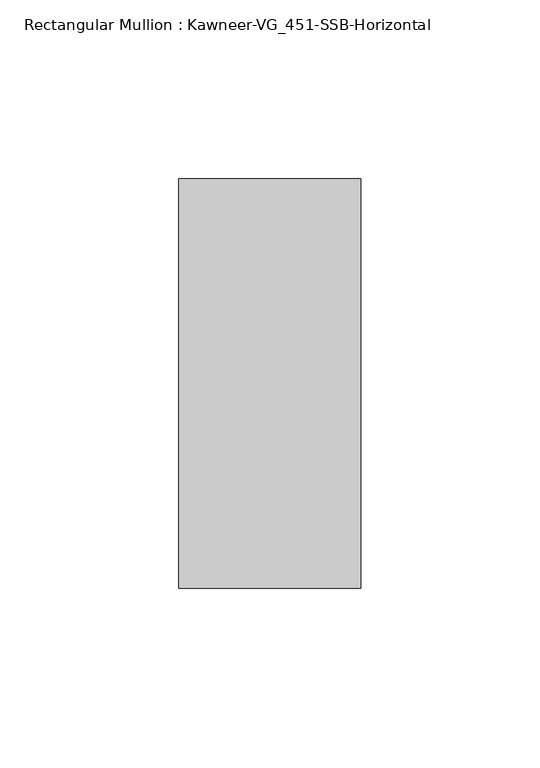
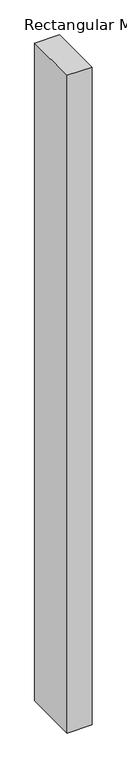
"""IFC4 building model written with IfcOpenShell, lengths in millimetres: member geometry, Rectangular Mullion : Kawneer-VG_451-SSB-Horizontal."""

from ifc_helpers import new_model, si_unit, frame, origin, place, context, project, spatial, polyline, outline, extrude, source, transform, mapped, element, save


def rectangular_mullion_kawneer_vg_451_ssb_horizontal_bc35e0fb(model_context):
    return source(origin(), model_context, "Body", "SweptSolid", [
        extrude(outline(polyline([(25.4, 57.15), (25.4, -57.15), (-25.4, -57.15), (-25.4, 57.15), (25.4, 57.15)])), frame((0.0, 0.0, -1412.875), z_axis=(0.0, 0.0, 1.0), x_axis=(1.0, 0.0, 0.0)), (0.0, 0.0, 1.0), 1412.875),
    ])


if __name__ == "__main__":
    model = new_model("IFC4")
    model_context = context("Model", 3, world=origin())
    ifc_project = project(units=[si_unit("LENGTHUNIT", "METRE", prefix="MILLI")], contexts=[model_context])
    site = spatial("IfcSite", under=ifc_project)
    building = spatial("IfcBuilding", under=site)
    placement = place(None, origin())
    rectangular_mullion_kawneer_vg_451_ssb_horizontal_shape = rectangular_mullion_kawneer_vg_451_ssb_horizontal_bc35e0fb(model_context)
    element("IfcMember", 1, ObjectType="Rectangular Mullion : Kawneer-VG_451-SSB-Horizontal", at=placement, inside=building, context=model_context, shape_type="MappedRepresentation", body=[
        mapped(rectangular_mullion_kawneer_vg_451_ssb_horizontal_shape, transform((0.0, 0.0, 0.0), x_axis=(1.0, 0.0, 0.0), y_axis=(0.0, 1.0, 0.0), z_axis=(0.0, 0.0, 1.0))),
    ])
    save(model, "model.ifc")
